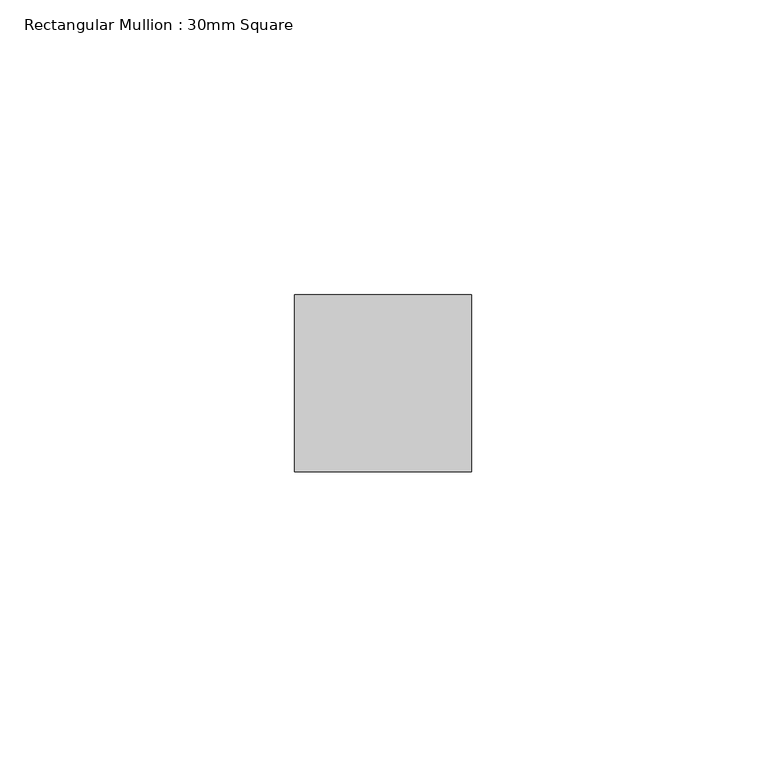
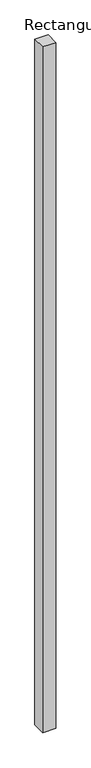
"""IFC4 building model written with IfcOpenShell, lengths in millimetres: member geometry, Rectangular Mullion : 30mm Square."""

from ifc_helpers import new_model, si_unit, frame, origin, place, context, project, spatial, polyline, outline, extrude, source, transform, mapped, element, save


def rectangular_mullion_30mm_square_757f492f(model_context):
    return source(origin(), model_context, "Body", "SweptSolid", [
        extrude(outline(polyline([(15.0, 15.0), (15.0, -15.0), (-15.0, -15.0), (-15.0, 15.0), (15.0, 15.0)])), frame((0.0, 0.0, -1630.5994295), z_axis=(0.0, 0.0, 1.0), x_axis=(1.0, 0.0, 0.0)), (0.0, 0.0, 1.0), 1630.5994295),
    ])


if __name__ == "__main__":
    model = new_model("IFC4")
    model_context = context("Model", 3, world=origin())
    ifc_project = project(units=[si_unit("LENGTHUNIT", "METRE", prefix="MILLI")], contexts=[model_context])
    site = spatial("IfcSite", under=ifc_project)
    building = spatial("IfcBuilding", under=site)
    placement = place(None, origin())
    rectangular_mullion_30mm_square_shape = rectangular_mullion_30mm_square_757f492f(model_context)
    element("IfcMember", 1, ObjectType="Rectangular Mullion : 30mm Square", at=placement, inside=building, context=model_context, shape_type="MappedRepresentation", body=[
        mapped(rectangular_mullion_30mm_square_shape, transform((0.0, 0.0, 0.0), x_axis=(1.0, 0.0, 0.0), y_axis=(0.0, 1.0, 0.0), z_axis=(0.0, 0.0, 1.0))),
    ])
    save(model, "model.ifc")
